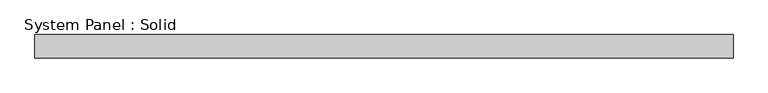
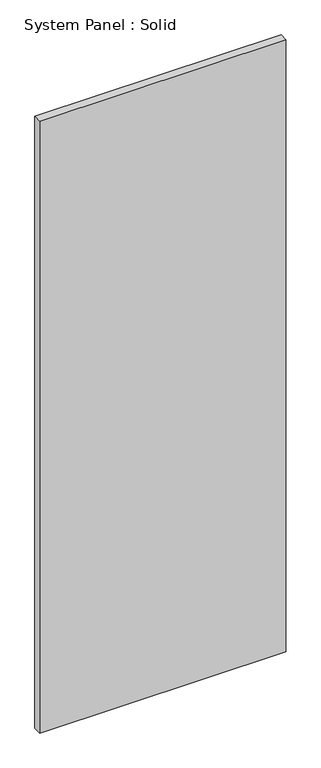
"""IFC4 building model written with IfcOpenShell, lengths in millimetres: plate geometry, System Panel : Solid."""

from ifc_helpers import new_model, si_unit, origin, origin_with_axes, place, context, project, spatial, polyline, outline, extrude, source, transform, mapped, element, save


def system_panel_solid_96d2abeb(model_context):
    return source(origin(), model_context, "Body", "SweptSolid", [
        extrude(outline(polyline([(750.0, -25.0), (-750.0, -25.0), (-750.0, 25.0), (750.0, 25.0), (750.0, -25.0)])), origin_with_axes(), (0.0, 0.0, 1.0), 3940.0),
    ])


if __name__ == "__main__":
    model = new_model("IFC4")
    model_context = context("Model", 3, world=origin())
    ifc_project = project(units=[si_unit("LENGTHUNIT", "METRE", prefix="MILLI")], contexts=[model_context])
    site = spatial("IfcSite", under=ifc_project)
    building = spatial("IfcBuilding", under=site)
    placement = place(None, origin())
    system_panel_solid_shape = system_panel_solid_96d2abeb(model_context)
    element("IfcPlate", 1, ObjectType="System Panel : Solid", at=placement, inside=building, context=model_context, shape_type="MappedRepresentation", body=[
        mapped(system_panel_solid_shape, transform((0.0, 0.0, 0.0), x_axis=(1.0, 0.0, 0.0), y_axis=(0.0, 1.0, 0.0), z_axis=(0.0, 0.0, 1.0))),
    ])
    save(model, "model.ifc")
